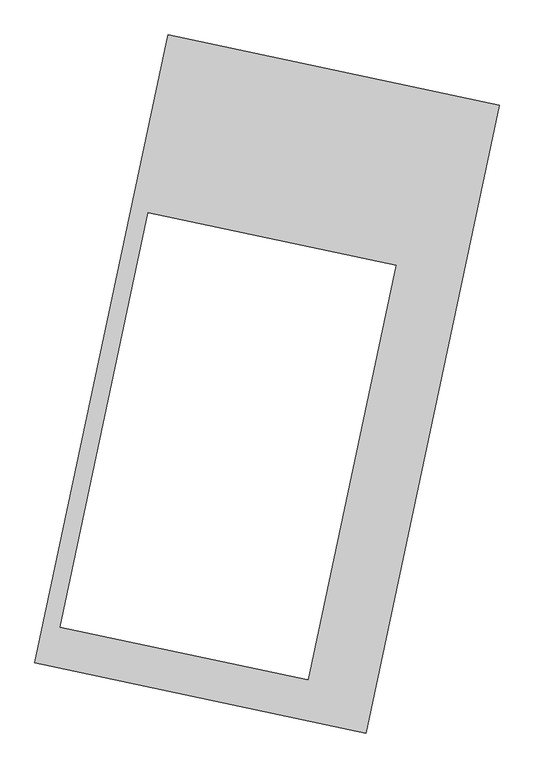
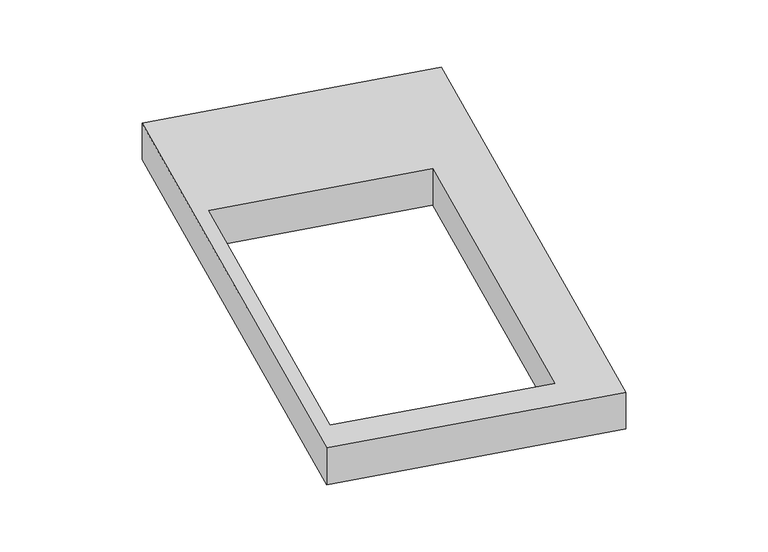
"""IFC4 building model written with IfcOpenShell, lengths in millimetres: proxy geometry."""

from ifc_helpers import new_model, si_unit, origin, origin_with_axes, place, context, project, spatial, polyline, outline, extrude, source, transform, mapped, element, save


def generic_models_3683b371(model_context):
    return source(origin(), model_context, "Body", "SweptSolid", [
        extrude(outline(polyline([(-617.3692021, 2175.5580432), (1447.7508745, 1737.3010494), (617.3692021, -2175.5580432), (-1447.7508745, -1737.3010494), (-617.3692021, 2175.5580432)]), holes=[polyline([(804.7162805, 738.9634016), (-741.9462535, 1067.1940358), (-1290.1784748, -1516.1426434), (256.4840592, -1844.3732776), (804.7162805, 738.9634016)])]), origin_with_axes(), (0.0, 0.0, 1.0), 300.0),
    ])


if __name__ == "__main__":
    model = new_model("IFC4")
    model_context = context("Model", 3, world=origin())
    ifc_project = project(units=[si_unit("LENGTHUNIT", "METRE", prefix="MILLI")], contexts=[model_context])
    site = spatial("IfcSite", under=ifc_project)
    building = spatial("IfcBuilding", under=site)
    placement = place(None, origin())
    generic_models_shape = generic_models_3683b371(model_context)
    element("IfcBuildingElementProxy", 1, Name="Generic Models", at=placement, inside=building, context=model_context, shape_type="MappedRepresentation", body=[
        mapped(generic_models_shape, transform((0.0, 0.0, 0.0), x_axis=(1.0, 0.0, 0.0), y_axis=(0.0, 1.0, 0.0), z_axis=(0.0, 0.0, 1.0))),
    ])
    save(model, "model.ifc")
